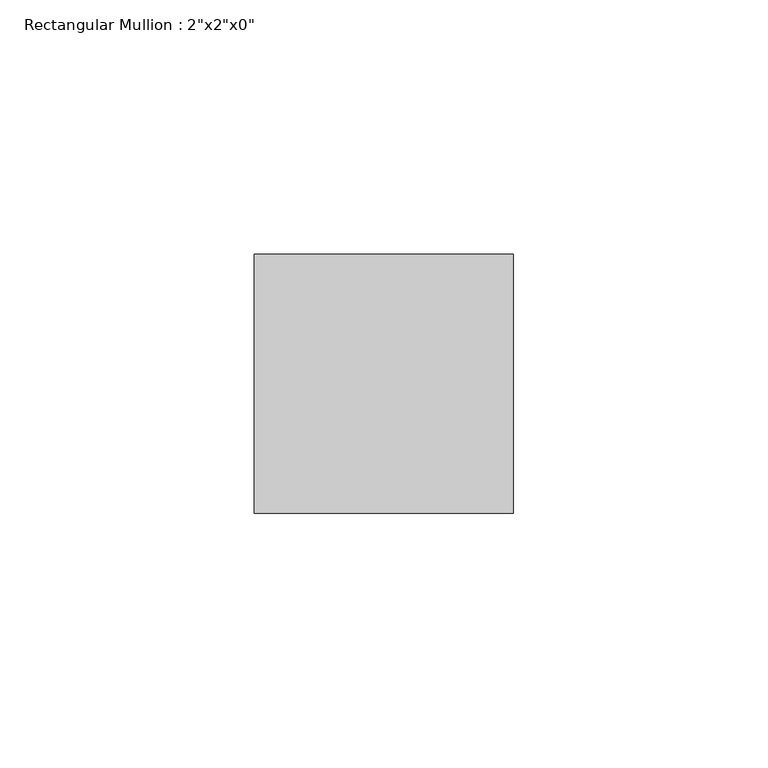
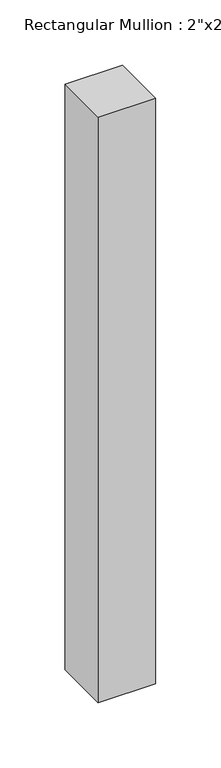
"""IFC4 building model written with IfcOpenShell, lengths in millimetres: member geometry."""

from ifc_helpers import new_model, si_unit, frame, origin, place, context, project, spatial, polyline, outline, extrude, source, transform, mapped, element, save


def member_9b08a1a4(model_context):
    return source(origin(), model_context, "Body", "SweptSolid", [
        extrude(outline(polyline([(0.0, 25.4), (0.0, -25.4), (-50.8, -25.4), (-50.8, 25.4), (0.0, 25.4)])), frame((0.0, 0.0, -547.6008804), z_axis=(0.0, 0.0, 1.0), x_axis=(1.0, 0.0, 0.0)), (0.0, 0.0, 1.0), 547.6008804),
    ])


if __name__ == "__main__":
    model = new_model("IFC4")
    model_context = context("Model", 3, world=origin())
    ifc_project = project(units=[si_unit("LENGTHUNIT", "METRE", prefix="MILLI")], contexts=[model_context])
    site = spatial("IfcSite", under=ifc_project)
    building = spatial("IfcBuilding", under=site)
    placement = place(None, origin())
    member_shape = member_9b08a1a4(model_context)
    element("IfcMember", 1, ObjectType="Rectangular Mullion : 2\"x2\"x0\"", at=placement, inside=building, context=model_context, shape_type="MappedRepresentation", body=[
        mapped(member_shape, transform((0.0, 0.0, 0.0), x_axis=(1.0, 0.0, 0.0), y_axis=(0.0, 1.0, 0.0), z_axis=(0.0, 0.0, 1.0))),
    ])
    save(model, "model.ifc")
